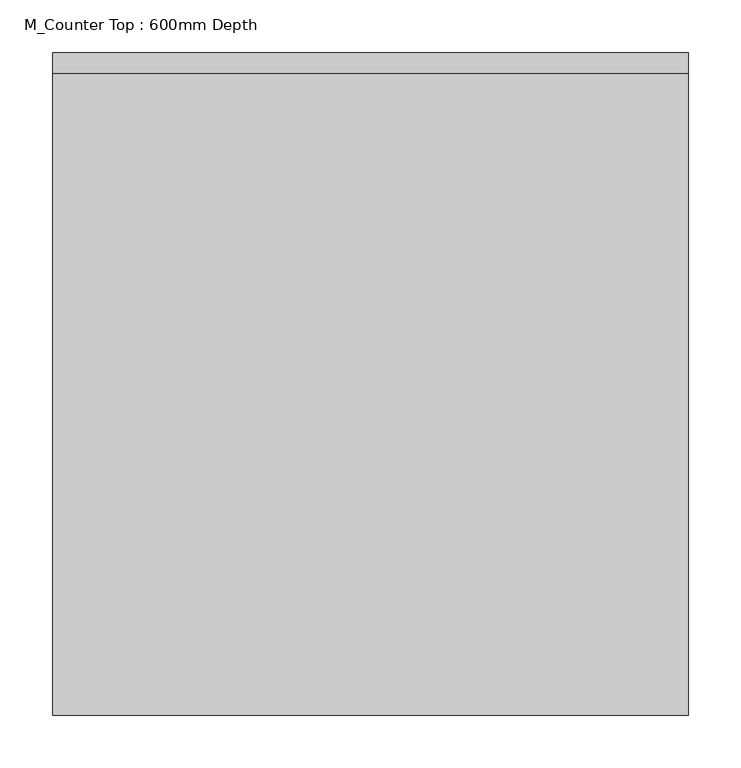
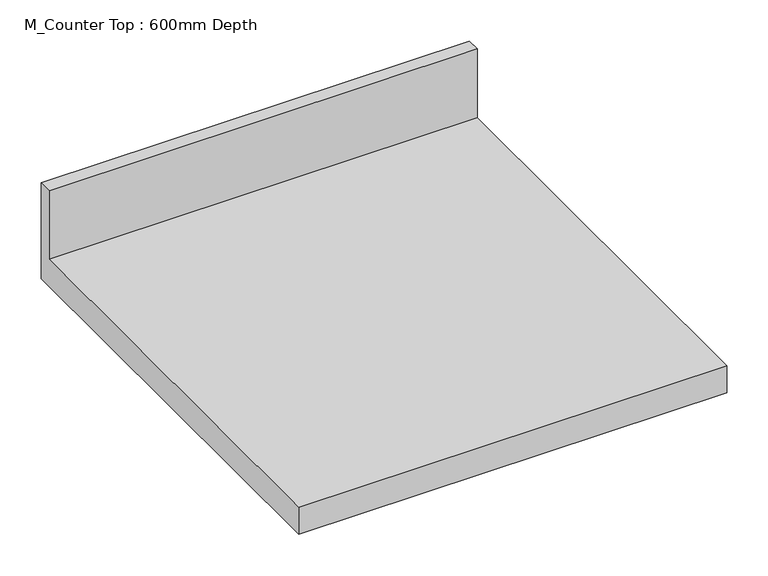
"""IFC4 building model written with IfcOpenShell, lengths in millimetres: furniture geometry, M_Counter Top : 600mm Depth."""

from ifc_helpers import new_model, si_unit, frame, origin, place, context, project, spatial, polyline, outline, extrude, source, transform, mapped, element, save


def m_counter_top_600mm_depth_bde0755c(model_context):
    return source(origin(), model_context, "Body", "SweptSolid", [
        extrude(outline(polyline([(0.0, 1001.6), (0.0, 860.0), (-625.0, 860.0), (-625.0, 900.0), (-19.05, 900.0), (-19.05, 1001.6), (0.0, 1001.6)])), frame((-1200.4622951, 0.0, 0.0), z_axis=(1.0, 0.0, 0.0), x_axis=(0.0, 1.0, 0.0)), (0.0, 0.0, 1.0), 600.0),
    ])


if __name__ == "__main__":
    model = new_model("IFC4")
    model_context = context("Model", 3, world=origin())
    ifc_project = project(units=[si_unit("LENGTHUNIT", "METRE", prefix="MILLI")], contexts=[model_context])
    site = spatial("IfcSite", under=ifc_project)
    building = spatial("IfcBuilding", under=site)
    placement = place(None, origin())
    m_counter_top_600mm_depth_shape = m_counter_top_600mm_depth_bde0755c(model_context)
    element("IfcFurniture", 1, ObjectType="M_Counter Top : 600mm Depth", at=placement, inside=building, context=model_context, shape_type="MappedRepresentation", body=[
        mapped(m_counter_top_600mm_depth_shape, transform((0.0, 0.0, 0.0), x_axis=(1.0, 0.0, 0.0), y_axis=(0.0, 1.0, 0.0), z_axis=(0.0, 0.0, 1.0))),
    ])
    save(model, "model.ifc")
